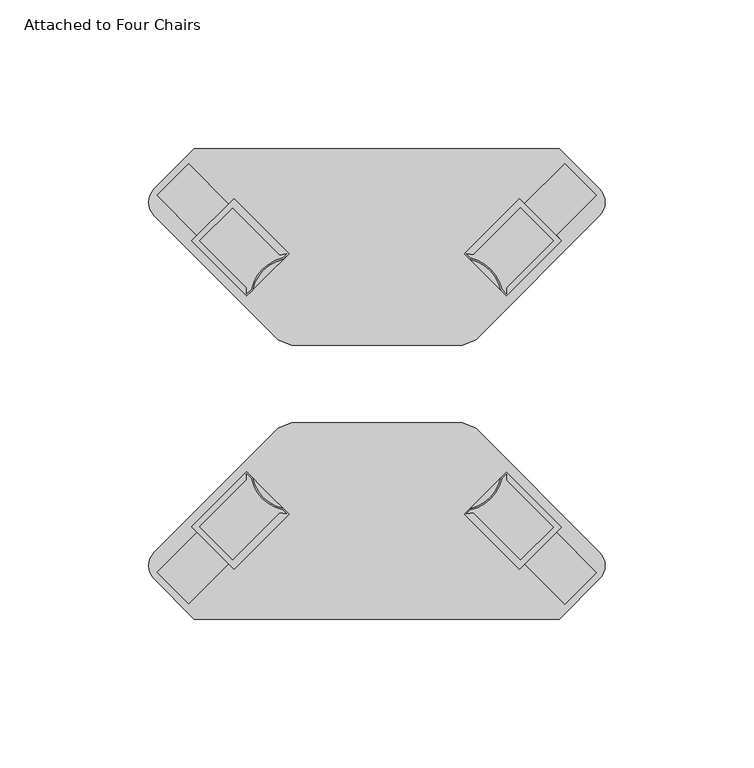
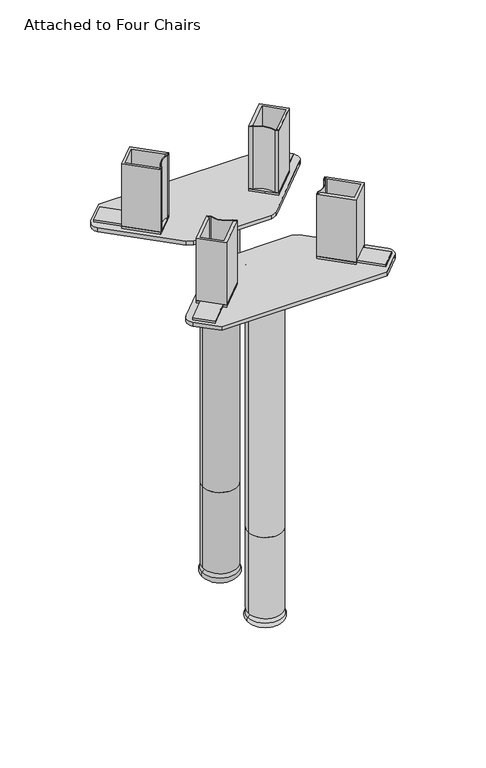
"""IFC4 building model written with IfcOpenShell, lengths in millimetres: furniture geometry, Attached to Four Chairs."""

from ifc_helpers import new_model, si_unit, point, frame, frame_2d, origin, place, context, project, spatial, polyline, circle_curve, ellipse_curve, trimmed, segment, composite_curve, outline, extrude, faceted_brep, source, transform, mapped, element, save
from ifc_brep_helpers import plane_surface, cylinder_surface, revolved_surface, advanced_brep


def attached_to_four_chairs_af7dd813(model_context):
    return source(origin(), model_context, "Body", "SolidModel", [
        advanced_brep(
        [(12.6999992, -28.5643642, 276.2746745), (-12.6999992, -28.5643642, 276.2746745), (0.0, -28.5643642, 276.2746745), (12.6999992, -28.5643642, 70.9421996), (-12.6999992, -28.5643642, 70.9421996), (0.0, -28.5643642, 70.9421996)],
        [
            (0, 1, circle_curve(frame((0.0, -28.5643642, 276.2746745), z_axis=(0.0, 0.0, 1.0), x_axis=(-1.0, 0.0, 0.0)), 12.6999992)),
            (1, 2),
            (2, 0),
            (1, 0, circle_curve(frame((0.0, -28.5643642, 276.2746745), z_axis=(0.0, 0.0, 1.0), x_axis=(-1.0, 0.0, 0.0)), 12.6999992)),
            (3, 4, circle_curve(frame((0.0, -28.5643642, 70.9421996), z_axis=(0.0, 0.0, 1.0), x_axis=(-1.0, 0.0, 0.0)), 12.6999992)),
            (4, 1),
            (0, 3),
            (4, 3, circle_curve(frame((0.0, -28.5643642, 70.9421996), z_axis=(0.0, 0.0, 1.0), x_axis=(-1.0, 0.0, 0.0)), 12.6999992)),
            (5, 4),
            (3, 5),
        ],
        [
            plane_surface(frame((0.0, -28.5643642, 276.2746745), z_axis=(0.0, 0.0, 1.0), x_axis=(-1.0, 0.0, 0.0))),
            cylinder_surface(frame((0.0, -28.5643642, 70.9421996), z_axis=(0.0, 0.0, -1.0), x_axis=(-1.0, 0.0, 0.0)), 12.6999992),
            plane_surface(frame((0.0, -28.5643642, 70.9421996), z_axis=(0.0, 0.0, -1.0), x_axis=(-1.0, 0.0, 0.0))),
        ],
        [
            (0, [[1, 2, 3]]),
            (0, [[4, -3, -2]]),
            (1, [[5, 6, -1, 7]]),
            (1, [[8, -7, -4, -6]]),
            (2, [[9, -5, 10]]),
            (2, [[-10, -8, -9]]),
        ],
    ),
        advanced_brep(
        [(12.6999992, -28.5635384, 70.9421996), (-12.6999992, -28.5635384, 70.9421996), (0.0, -28.5635384, 70.9421996), (12.6999992, -28.5635384, 7.4421999), (-12.6999992, -28.5635384, 7.4421999), (9.8236895, -28.5635384, 7.4421999), (-9.8236895, -28.5635384, 7.4421999), (13.0272821, -28.5635384, 4.1308705), (-13.0272821, -28.5635384, 4.1308705), (11.2760686, -28.5635384, 0.0), (-11.2760686, -28.5635384, 0.0), (0.0, -28.5635384, 0.0)],
        [
            (0, 1, circle_curve(frame((0.0, -28.5635384, 70.9421996), z_axis=(0.0, 0.0, 1.0), x_axis=(-1.0, 0.0, 0.0)), 12.6999992)),
            (1, 2),
            (2, 0),
            (1, 0, circle_curve(frame((0.0, -28.5635384, 70.9421996), z_axis=(0.0, 0.0, 1.0), x_axis=(-1.0, 0.0, 0.0)), 12.6999992)),
            (3, 4, circle_curve(frame((0.0, -28.5635384, 7.4421999), z_axis=(0.0, 0.0, 1.0), x_axis=(-1.0, 0.0, 0.0)), 12.6999992)),
            (4, 1),
            (0, 3),
            (4, 3, circle_curve(frame((0.0, -28.5635384, 7.4421999), z_axis=(0.0, 0.0, 1.0), x_axis=(-1.0, 0.0, 0.0)), 12.6999992)),
            (5, 6, circle_curve(frame((0.0, -28.5635384, 7.4421999), z_axis=(0.0, 0.0, 1.0), x_axis=(-1.0, 0.0, 0.0)), 9.8236895)),
            (6, 4),
            (3, 5),
            (6, 5, circle_curve(frame((0.0, -28.5635384, 7.4421999), z_axis=(0.0, 0.0, 1.0), x_axis=(-1.0, 0.0, 0.0)), 9.8236895)),
            (7, 8, circle_curve(frame((0.0, -28.5635384, 4.1308705), z_axis=(0.0, 0.0, 1.0), x_axis=(-1.0, 0.0, 0.0)), 13.0272821)),
            (8, 6),
            (5, 7),
            (8, 7, circle_curve(frame((0.0, -28.5635384, 4.1308705), z_axis=(0.0, 0.0, 1.0), x_axis=(-1.0, 0.0, 0.0)), 13.0272821)),
            (9, 10, circle_curve(frame((0.0, -28.5635384, 0.0), z_axis=(0.0, 0.0, 1.0), x_axis=(-1.0, 0.0, 0.0)), 11.2760686)),
            (10, 8, circle_curve(frame((-11.2760686, -28.5635384, 2.4366341), z_axis=(0.0, 1.0, 0.0), x_axis=(1.0, 0.0, 0.0)), 2.4366341)),
            (7, 9, circle_curve(frame((11.2760686, -28.5635384, 2.4366341), z_axis=(0.0, 1.0, 0.0), x_axis=(-1.0, 0.0, 0.0)), 2.4366341)),
            (10, 9, circle_curve(frame((0.0, -28.5635384, 0.0), z_axis=(0.0, 0.0, 1.0), x_axis=(-1.0, 0.0, 0.0)), 11.2760686)),
            (11, 10),
            (9, 11),
        ],
        [
            plane_surface(frame((0.0, -28.5635384, 70.9421996), z_axis=(0.0, 0.0, 1.0), x_axis=(-1.0, 0.0, 0.0))),
            cylinder_surface(frame((0.0, -28.5635384, 70.9421996), z_axis=(0.0, 0.0, -1.0), x_axis=(-1.0, 0.0, 0.0)), 12.6999992),
            plane_surface(frame((0.0, -28.5635384, 7.4421999), z_axis=(0.0, 0.0, -1.0), x_axis=(-1.0, 0.0, 0.0))),
            revolved_surface(polyline([(-9.8236895, -28.5635384, 7.4421999), (-13.0272821, -28.5635384, 4.1308705)]), (0.0, -28.5635384, 70.9421996), (0.0, 0.0, -1.0)),
            revolved_surface(trimmed(ellipse_curve(frame((-11.2760686, -28.5635384, 2.4366341), z_axis=(0.0, -1.0, 0.0), x_axis=(1.0, 0.0, 0.0)), 2.4366341, 2.4366341), [point((-13.0272821, -28.5635384, 4.1308705))], [point((-11.2760686, -28.5635384, 0.0))], True, "CARTESIAN"), (0.0, -28.5635384, 70.9421996), (0.0, 0.0, -1.0)),
            plane_surface(frame((0.0, -28.5635384, 0.0), z_axis=(0.0, 0.0, -1.0), x_axis=(-1.0, 0.0, 0.0))),
        ],
        [
            (0, [[1, 2, 3]]),
            (0, [[4, -3, -2]]),
            (1, [[5, 6, -1, 7]]),
            (1, [[8, -7, -4, -6]]),
            (2, [[9, 10, -5, 11]]),
            (2, [[12, -11, -8, -10]]),
            (3, [[13, 14, -9, 15]]),
            (3, [[16, -15, -12, -14]]),
            (4, [[17, 18, -13, 19]]),
            (4, [[20, -19, -16, -18]]),
            (5, [[21, -17, 22]]),
            (5, [[-22, -20, -21]]),
        ],
    ),
        extrude(outline(composite_curve([segment(polyline([(61.3563884, -78.9706612), (-61.3563884, -78.9706612), (-74.826773, -65.5002811)]), True, "CONTINUOUS"), segment(trimmed(circle_curve(frame_2d((-70.3366457, -61.0101523)), 6.35), [point((-74.826773, -65.5002811))], [point((-74.8267739, -56.5200243))], False, "CARTESIAN"), True, "CONTINUOUS"), segment(polyline([(-74.8267739, -56.5200243), (-33.2302278, -14.923477), (-28.7400994, -13.0636058), (28.7400994, -13.0636058), (33.2302278, -14.923477), (74.8267739, -56.5200243)]), True, "CONTINUOUS"), segment(trimmed(circle_curve(frame_2d((70.3366457, -61.0101523)), 6.35), [point((74.8267739, -56.5200243))], [point((74.826773, -65.5002811))], False, "CARTESIAN"), True, "CONTINUOUS"), segment(polyline([(74.826773, -65.5002811), (61.3563884, -78.9706612)]), True, "CONTINUOUS")], self_intersect=False)), frame((0.0, 0.0, 276.3598028), z_axis=(0.0, 0.0, 1.0), x_axis=(1.0, 0.0, 0.0)), (0.0, 0.0, 1.0), 2.9131943),
        advanced_brep(
        [(0.0, 29.5565517, 276.2746745), (-12.6999992, 29.5565517, 276.2746745), (12.6999992, 29.5565517, 276.2746745), (-12.6999992, 29.5565517, 70.9421996), (12.6999992, 29.5565517, 70.9421996), (0.0, 29.5565517, 70.9421996)],
        [
            (0, 1),
            (1, 2, circle_curve(frame((0.0, 29.5565517, 276.2746745), z_axis=(0.0, 0.0, 1.0), x_axis=(-1.0, 0.0, 0.0)), 12.6999992)),
            (2, 0),
            (2, 1, circle_curve(frame((0.0, 29.5565517, 276.2746745), z_axis=(0.0, 0.0, 1.0), x_axis=(-1.0, 0.0, 0.0)), 12.6999992)),
            (1, 3),
            (3, 4, circle_curve(frame((0.0, 29.5565517, 70.9421996), z_axis=(0.0, 0.0, 1.0), x_axis=(-1.0, 0.0, 0.0)), 12.6999992)),
            (4, 2),
            (4, 3, circle_curve(frame((0.0, 29.5565517, 70.9421996), z_axis=(0.0, 0.0, 1.0), x_axis=(-1.0, 0.0, 0.0)), 12.6999992)),
            (3, 5),
            (5, 4),
        ],
        [
            plane_surface(frame((0.0, 29.5565517, 276.2746745), z_axis=(0.0, 0.0, 1.0), x_axis=(-1.0, 0.0, 0.0))),
            cylinder_surface(frame((0.0, 29.5565517, 70.9421996), z_axis=(0.0, 0.0, 1.0), x_axis=(-1.0, 0.0, 0.0)), 12.6999992),
            plane_surface(frame((0.0, 29.5565517, 70.9421996), z_axis=(0.0, 0.0, -1.0), x_axis=(-1.0, 0.0, 0.0))),
        ],
        [
            (0, [[1, 2, 3]]),
            (0, [[-3, 4, -1]]),
            (1, [[-2, 5, 6, 7]]),
            (1, [[-4, -7, 8, -5]]),
            (2, [[-6, 9, 10]]),
            (2, [[-8, -10, -9]]),
        ],
    ),
        advanced_brep(
        [(0.0, 29.5565517, 70.9421996), (-12.6999992, 29.5565517, 70.9421996), (12.6999992, 29.5565517, 70.9421996), (-12.6999992, 29.5565517, 7.4421999), (12.6999992, 29.5565517, 7.4421999), (-9.8236895, 29.5565517, 7.4421999), (9.8236895, 29.5565517, 7.4421999), (-13.0272821, 29.5565517, 4.1308705), (13.0272821, 29.5565517, 4.1308705), (-11.2760686, 29.5565517, 0.0), (11.2760686, 29.5565517, 0.0), (0.0, 29.5565517, 0.0)],
        [
            (0, 1),
            (1, 2, circle_curve(frame((0.0, 29.5565517, 70.9421996), z_axis=(0.0, 0.0, 1.0), x_axis=(-1.0, 0.0, 0.0)), 12.6999992)),
            (2, 0),
            (2, 1, circle_curve(frame((0.0, 29.5565517, 70.9421996), z_axis=(0.0, 0.0, 1.0), x_axis=(-1.0, 0.0, 0.0)), 12.6999992)),
            (1, 3),
            (3, 4, circle_curve(frame((0.0, 29.5565517, 7.4421999), z_axis=(0.0, 0.0, 1.0), x_axis=(-1.0, 0.0, 0.0)), 12.6999992)),
            (4, 2),
            (4, 3, circle_curve(frame((0.0, 29.5565517, 7.4421999), z_axis=(0.0, 0.0, 1.0), x_axis=(-1.0, 0.0, 0.0)), 12.6999992)),
            (3, 5),
            (5, 6, circle_curve(frame((0.0, 29.5565517, 7.4421999), z_axis=(0.0, 0.0, 1.0), x_axis=(-1.0, 0.0, 0.0)), 9.8236895)),
            (6, 4),
            (6, 5, circle_curve(frame((0.0, 29.5565517, 7.4421999), z_axis=(0.0, 0.0, 1.0), x_axis=(-1.0, 0.0, 0.0)), 9.8236895)),
            (5, 7),
            (7, 8, circle_curve(frame((0.0, 29.5565517, 4.1308705), z_axis=(0.0, 0.0, 1.0), x_axis=(-1.0, 0.0, 0.0)), 13.0272821)),
            (8, 6),
            (8, 7, circle_curve(frame((0.0, 29.5565517, 4.1308705), z_axis=(0.0, 0.0, 1.0), x_axis=(-1.0, 0.0, 0.0)), 13.0272821)),
            (7, 9, circle_curve(frame((-11.2760686, 29.5565517, 2.4366341), z_axis=(0.0, -1.0, 0.0), x_axis=(1.0, 0.0, 0.0)), 2.4366341)),
            (9, 10, circle_curve(frame((0.0, 29.5565517, 0.0), z_axis=(0.0, 0.0, 1.0), x_axis=(-1.0, 0.0, 0.0)), 11.2760686)),
            (10, 8, circle_curve(frame((11.2760686, 29.5565517, 2.4366341), z_axis=(0.0, -1.0, 0.0), x_axis=(-1.0, 0.0, 0.0)), 2.4366341)),
            (10, 9, circle_curve(frame((0.0, 29.5565517, 0.0), z_axis=(0.0, 0.0, 1.0), x_axis=(-1.0, 0.0, 0.0)), 11.2760686)),
            (9, 11),
            (11, 10),
        ],
        [
            plane_surface(frame((0.0, 29.5565517, 70.9421996), z_axis=(0.0, 0.0, 1.0), x_axis=(-1.0, 0.0, 0.0))),
            cylinder_surface(frame((0.0, 29.5565517, 70.9421996), z_axis=(0.0, 0.0, 1.0), x_axis=(-1.0, 0.0, 0.0)), 12.6999992),
            plane_surface(frame((0.0, 29.5565517, 7.4421999), z_axis=(0.0, 0.0, -1.0), x_axis=(-1.0, 0.0, 0.0))),
            revolved_surface(polyline([(-13.0272821, 29.5565517, 4.1308705), (-9.8236895, 29.5565517, 7.4421999)]), (0.0, 29.5565517, 70.9421996), (0.0, 0.0, 1.0)),
            revolved_surface(trimmed(ellipse_curve(frame((-11.2760686, 29.5565517, 2.4366341), z_axis=(0.0, 1.0, 0.0), x_axis=(1.0, 0.0, 0.0)), 2.4366341, 2.4366341), [point((-11.2760686, 29.5565517, 0.0))], [point((-13.0272821, 29.5565517, 4.1308705))], True, "CARTESIAN"), (0.0, 29.5565517, 70.9421996), (0.0, 0.0, 1.0)),
            plane_surface(frame((0.0, 29.5565517, 0.0), z_axis=(0.0, 0.0, -1.0), x_axis=(-1.0, 0.0, 0.0))),
        ],
        [
            (0, [[1, 2, 3]]),
            (0, [[-3, 4, -1]]),
            (1, [[-2, 5, 6, 7]]),
            (1, [[-4, -7, 8, -5]]),
            (2, [[-6, 9, 10, 11]]),
            (2, [[-8, -11, 12, -9]]),
            (3, [[-10, 13, 14, 15]]),
            (3, [[-12, -15, 16, -13]]),
            (4, [[-14, 17, 18, 19]]),
            (4, [[-16, -19, 20, -17]]),
            (5, [[-18, 21, 22]]),
            (5, [[-20, -22, -21]]),
        ],
    ),
        extrude(outline(composite_curve([segment(polyline([(61.3563884, 78.9706612), (74.826773, 65.5002811)]), True, "CONTINUOUS"), segment(trimmed(circle_curve(frame_2d((70.3366457, 61.0101523)), 6.35), [point((74.826773, 65.5002811))], [point((74.8267739, 56.5200243))], False, "CARTESIAN"), True, "CONTINUOUS"), segment(polyline([(74.8267739, 56.5200243), (33.2302278, 14.923477), (28.7400994, 13.0636058), (-28.7400994, 13.0636058), (-33.2302278, 14.923477), (-74.8267739, 56.5200243)]), True, "CONTINUOUS"), segment(trimmed(circle_curve(frame_2d((-70.3366457, 61.0101523)), 6.35), [point((-74.8267739, 56.5200243))], [point((-74.826773, 65.5002811))], False, "CARTESIAN"), True, "CONTINUOUS"), segment(polyline([(-74.826773, 65.5002811), (-61.3563884, 78.9706612), (61.3563884, 78.9706612)]), True, "CONTINUOUS")], self_intersect=False)), frame((0.0, 0.0, 276.3598028), z_axis=(0.0, 0.0, 1.0), x_axis=(1.0, 0.0, 0.0)), (0.0, 0.0, 1.0), 2.9131943),
        faceted_brep([(-62.2401553, 48.0513502, 281.1780044), (-43.7587889, 29.5699838, 281.1780044), (-37.1917951, 36.1369709, 281.1780044), (-29.5699838, 43.7587889, 281.1780044), (-48.0261928, 62.2149979, 281.1780044), (-49.8222451, 60.4189456, 281.1780044), (-63.3177876, 73.9144882, 281.1780044), (-73.9144882, 63.3177876, 281.1780044), (-60.4441031, 49.8474025, 281.1780044), (-62.2401553, 48.0513502, 279.2729971), (-60.4441031, 49.8474025, 279.2729971), (-73.9144882, 63.3177876, 279.2729971), (-63.3177876, 73.9144882, 279.2729971), (-49.8222451, 60.4189456, 279.2729971), (-48.0261928, 62.2149979, 279.2729971), (-29.5699838, 43.7587889, 279.2729971), (-37.1917946, 36.1369704, 279.2729971), (-43.7587889, 29.5699838, 279.2729971)], [[[0, 1, 2, 3, 4, 5, 6, 7, 8]], [[9, 10, 11, 12, 13, 14, 15, 16, 17]], [[0, 8, 10, 9]], [[8, 7, 11, 10]], [[7, 6, 12, 11]], [[6, 5, 13, 12]], [[5, 4, 14, 13]], [[4, 3, 15, 14]], [[3, 2, 16, 15]], [[2, 1, 17, 16]], [[1, 0, 9, 17]]]),
        extrude(outline(composite_curve([segment(polyline([(-62.2149979, 48.0261928), (-48.0261928, 62.2149979), (-29.5699838, 43.7587889), (-31.5137414, 41.8150312)]), True, "CONTINUOUS"), segment(trimmed(circle_curve(frame_2d((-28.5754474, 28.5643642)), 13.5725365), [point((-31.5137414, 41.8150312))], [point((-41.8261144, 31.5026583))], True, "CARTESIAN"), True, "CONTINUOUS"), segment(polyline([(-41.8261144, 31.5026583), (-43.7587889, 29.5699838), (-62.2149979, 48.0261928)]), True, "CONTINUOUS")], self_intersect=False), holes=[composite_curve([segment(polyline([(-43.7538428, 32.2591138), (-43.7575837, 30.225234), (-42.3081688, 31.6746489)]), True, "CONTINUOUS"), segment(trimmed(circle_curve(frame_2d((-28.5754474, 28.5643642)), 14.0805365), [point((-42.3081688, 31.6746489))], [point((-31.6237174, 42.3109841))], False, "CARTESIAN"), True, "CONTINUOUS"), segment(polyline([(-31.6237174, 42.3109841), (-30.2876037, 43.6470978), (-32.678306, 43.2750066), (-48.4752025, 59.0719076), (-59.5209195, 48.0261905), (-43.7538428, 32.2591138)]), True, "CONTINUOUS")], self_intersect=False)]), frame((0.0, 0.0, 281.1780044), z_axis=(0.0, 0.0, 1.0), x_axis=(1.0, 0.0, 0.0)), (0.0, 0.0, 1.0), 48.8949806),
        faceted_brep([(62.0864808, 48.0944836, 281.1780044), (60.2904285, 49.8905358, 281.1780044), (73.7608136, 63.3609209, 281.1780044), (63.164113, 73.9576215, 281.1780044), (49.6685705, 60.462079, 281.1780044), (47.8725182, 62.2581312, 281.1780044), (29.4163092, 43.8019222, 281.1780044), (37.03812, 36.1801037, 281.1780044), (43.6051143, 29.6131171, 281.1780044), (62.0864808, 48.0944836, 279.2729971), (43.6051143, 29.6131171, 279.2729971), (37.0381205, 36.1801042, 279.2729971), (29.4163092, 43.8019222, 279.2729971), (47.8725182, 62.2581312, 279.2729971), (49.6685705, 60.462079, 279.2729971), (63.164113, 73.9576215, 279.2729971), (73.7608136, 63.3609209, 279.2729971), (60.2904285, 49.8905358, 279.2729971)], [[[0, 1, 2, 3, 4, 5, 6, 7, 8]], [[9, 10, 11, 12, 13, 14, 15, 16, 17]], [[1, 0, 9, 17]], [[2, 1, 17, 16]], [[3, 2, 16, 15]], [[4, 3, 15, 14]], [[5, 4, 14, 13]], [[6, 5, 13, 12]], [[7, 6, 12, 11]], [[8, 7, 11, 10]], [[0, 8, 10, 9]]]),
        extrude(outline(composite_curve([segment(polyline([(62.0613233, 48.0693261), (43.6051143, 29.6131171), (41.6724398, 31.5457916)]), True, "CONTINUOUS"), segment(trimmed(circle_curve(frame_2d((28.4217728, 28.6074976)), 13.5725365), [point((41.6724398, 31.5457916))], [point((31.3600668, 41.8581646))], True, "CARTESIAN"), True, "CONTINUOUS"), segment(polyline([(31.3600668, 41.8581646), (29.4163092, 43.8019222), (47.8725182, 62.2581312), (62.0613233, 48.0693261)]), True, "CONTINUOUS")], self_intersect=False), holes=[composite_curve([segment(polyline([(43.6001682, 32.3022471), (59.3672449, 48.0693239), (48.3215279, 59.1150409), (32.5246315, 43.3181399), (30.1339292, 43.6902311), (31.4700428, 42.3541175)]), True, "CONTINUOUS"), segment(trimmed(circle_curve(frame_2d((28.4217728, 28.6074976)), 14.0805365), [point((31.4700428, 42.3541175))], [point((42.1544943, 31.7177822))], False, "CARTESIAN"), True, "CONTINUOUS"), segment(polyline([(42.1544943, 31.7177822), (43.6039091, 30.2683674), (43.6001682, 32.3022471)]), True, "CONTINUOUS")], self_intersect=False)]), frame((0.0, 0.0, 281.1780044), z_axis=(0.0, 0.0, 1.0), x_axis=(1.0, 0.0, 0.0)), (0.0, 0.0, 1.0), 48.8949806),
        faceted_brep([(62.0864808, -48.0944836, 281.1780044), (43.6051143, -29.6131171, 281.1780044), (37.0381205, -36.1801042, 281.1780044), (29.4163092, -43.8019222, 281.1780044), (47.8725182, -62.2581312, 281.1780044), (49.6685705, -60.462079, 281.1780044), (63.164113, -73.9576215, 281.1780044), (73.7608136, -63.3609209, 281.1780044), (60.2904285, -49.8905358, 281.1780044), (62.0864808, -48.0944836, 279.2729971), (60.2904285, -49.8905358, 279.2729971), (73.7608136, -63.3609209, 279.2729971), (63.164113, -73.9576215, 279.2729971), (49.6685705, -60.462079, 279.2729971), (47.8725182, -62.2581312, 279.2729971), (29.4163092, -43.8019222, 279.2729971), (37.03812, -36.1801037, 279.2729971), (43.6051143, -29.6131171, 279.2729971)], [[[0, 1, 2, 3, 4, 5, 6, 7, 8]], [[9, 10, 11, 12, 13, 14, 15, 16, 17]], [[0, 8, 10, 9]], [[8, 7, 11, 10]], [[7, 6, 12, 11]], [[6, 5, 13, 12]], [[5, 4, 14, 13]], [[4, 3, 15, 14]], [[3, 2, 16, 15]], [[2, 1, 17, 16]], [[1, 0, 9, 17]]]),
        extrude(outline(composite_curve([segment(polyline([(62.0613233, -48.0693261), (47.8725182, -62.2581312), (29.4163092, -43.8019222), (31.3600668, -41.8581646)]), True, "CONTINUOUS"), segment(trimmed(circle_curve(frame_2d((28.4217728, -28.6074976)), 13.5725365), [point((31.3600668, -41.8581646))], [point((41.6724398, -31.5457916))], True, "CARTESIAN"), True, "CONTINUOUS"), segment(polyline([(41.6724398, -31.5457916), (43.6051143, -29.6131171), (62.0613233, -48.0693261)]), True, "CONTINUOUS")], self_intersect=False), holes=[composite_curve([segment(polyline([(43.6001682, -32.3022471), (43.6039091, -30.2683674), (42.1544943, -31.7177822)]), True, "CONTINUOUS"), segment(trimmed(circle_curve(frame_2d((28.4217728, -28.6074976)), 14.0805365), [point((42.1544943, -31.7177822))], [point((31.4700428, -42.3541175))], False, "CARTESIAN"), True, "CONTINUOUS"), segment(polyline([(31.4700428, -42.3541175), (30.1339292, -43.6902311), (32.5246315, -43.3181399), (48.3215279, -59.1150409), (59.3672449, -48.0693239), (43.6001682, -32.3022471)]), True, "CONTINUOUS")], self_intersect=False)]), frame((0.0, 0.0, 281.1780044), z_axis=(0.0, 0.0, 1.0), x_axis=(1.0, 0.0, 0.0)), (0.0, 0.0, 1.0), 48.8949806),
        faceted_brep([(-62.2401553, -48.0513502, 281.1780044), (-60.4441031, -49.8474025, 281.1780044), (-73.9144882, -63.3177876, 281.1780044), (-63.3177876, -73.9144882, 281.1780044), (-49.8222451, -60.4189456, 281.1780044), (-48.0261928, -62.2149979, 281.1780044), (-29.5699838, -43.7587889, 281.1780044), (-37.1917946, -36.1369704, 281.1780044), (-43.7587889, -29.5699838, 281.1780044), (-62.2401553, -48.0513502, 279.2729971), (-43.7587889, -29.5699838, 279.2729971), (-37.1917951, -36.1369709, 279.2729971), (-29.5699838, -43.7587889, 279.2729971), (-48.0261928, -62.2149979, 279.2729971), (-49.8222451, -60.4189456, 279.2729971), (-63.3177876, -73.9144882, 279.2729971), (-73.9144882, -63.3177876, 279.2729971), (-60.4441031, -49.8474025, 279.2729971)], [[[0, 1, 2, 3, 4, 5, 6, 7, 8]], [[9, 10, 11, 12, 13, 14, 15, 16, 17]], [[1, 0, 9, 17]], [[2, 1, 17, 16]], [[3, 2, 16, 15]], [[4, 3, 15, 14]], [[5, 4, 14, 13]], [[6, 5, 13, 12]], [[7, 6, 12, 11]], [[8, 7, 11, 10]], [[0, 8, 10, 9]]]),
        extrude(outline(composite_curve([segment(polyline([(-62.2149979, -48.0261928), (-43.7587889, -29.5699838), (-41.8261144, -31.5026583)]), True, "CONTINUOUS"), segment(trimmed(circle_curve(frame_2d((-28.5754474, -28.5643642)), 13.5725365), [point((-41.8261144, -31.5026583))], [point((-31.5137414, -41.8150312))], True, "CARTESIAN"), True, "CONTINUOUS"), segment(polyline([(-31.5137414, -41.8150312), (-29.5699838, -43.7587889), (-48.0261928, -62.2149979), (-62.2149979, -48.0261928)]), True, "CONTINUOUS")], self_intersect=False), holes=[composite_curve([segment(polyline([(-43.7538428, -32.2591138), (-59.5209195, -48.0261905), (-48.4752025, -59.0719076), (-32.678306, -43.2750066), (-30.2876037, -43.6470978), (-31.6237174, -42.3109841)]), True, "CONTINUOUS"), segment(trimmed(circle_curve(frame_2d((-28.5754474, -28.5643642)), 14.0805365), [point((-31.6237174, -42.3109841))], [point((-42.3081688, -31.6746489))], False, "CARTESIAN"), True, "CONTINUOUS"), segment(polyline([(-42.3081688, -31.6746489), (-43.7575837, -30.225234), (-43.7538428, -32.2591138)]), True, "CONTINUOUS")], self_intersect=False)]), frame((0.0, 0.0, 281.1780044), z_axis=(0.0, 0.0, 1.0), x_axis=(1.0, 0.0, 0.0)), (0.0, 0.0, 1.0), 48.8949806),
    ])


if __name__ == "__main__":
    model = new_model("IFC4")
    model_context = context("Model", 3, world=origin())
    ifc_project = project(units=[si_unit("LENGTHUNIT", "METRE", prefix="MILLI")], contexts=[model_context])
    site = spatial("IfcSite", under=ifc_project)
    building = spatial("IfcBuilding", under=site)
    placement = place(None, origin())
    attached_to_four_chairs_shape = attached_to_four_chairs_af7dd813(model_context)
    element("IfcFurniture", 1, ObjectType="Attached to Four Chairs", at=placement, inside=building, context=model_context, shape_type="MappedRepresentation", body=[
        mapped(attached_to_four_chairs_shape, transform((0.0, 0.0, 0.0), x_axis=(1.0, 0.0, 0.0), y_axis=(0.0, 1.0, 0.0), z_axis=(0.0, 0.0, 1.0))),
    ])
    save(model, "model.ifc")
